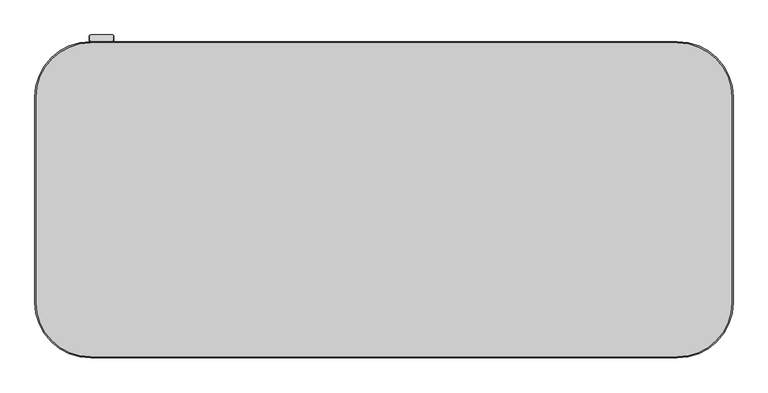
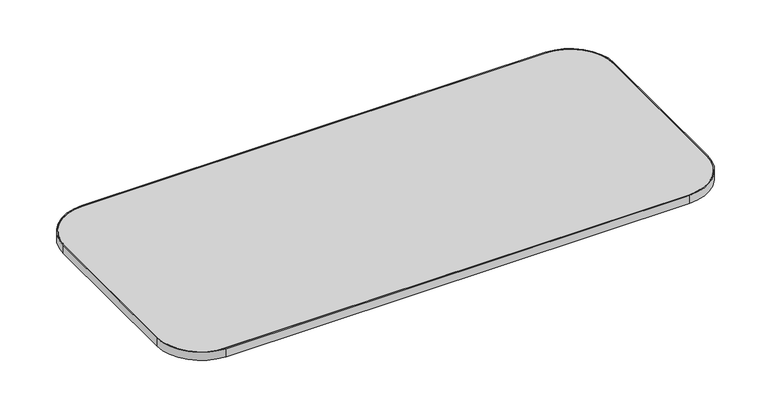
"""IFC4 building model written with IfcOpenShell, lengths in millimetres: furniture geometry."""

from ifc_helpers import new_model, si_unit, point, frame, frame_2d, origin, place, context, project, spatial, polyline, circle_curve, trimmed, segment, composite_curve, outline, extrude, source, transform, mapped, element, save
from ifc_brep_helpers import plane_surface, cylinder_surface, advanced_brep


def furniture_8c47e217(model_context):
    return source(origin(), model_context, "Body", "SolidModel", [
        extrude(outline(composite_curve([segment(trimmed(circle_curve(frame_2d((-607.06, 322.06)), 129.54), [point((-736.6, 322.06))], [point((-607.06, 451.6))], False, "CARTESIAN"), True, "CONTINUOUS"), segment(polyline([(-607.06, 451.6), (759.46, 451.6)]), True, "CONTINUOUS"), segment(trimmed(circle_curve(frame_2d((759.46, 322.06)), 129.54), [point((759.46, 451.6))], [point((889.0, 322.06))], False, "CARTESIAN"), True, "CONTINUOUS"), segment(polyline([(889.0, 322.06), (889.0, -155.46)]), True, "CONTINUOUS"), segment(trimmed(circle_curve(frame_2d((759.46, -155.46)), 129.54), [point((889.0, -155.46))], [point((759.46, -285.0))], False, "CARTESIAN"), True, "CONTINUOUS"), segment(polyline([(759.46, -285.0), (-607.06, -285.0)]), True, "CONTINUOUS"), segment(trimmed(circle_curve(frame_2d((-607.06, -155.46)), 129.54), [point((-607.06, -285.0))], [point((-736.6, -155.46))], False, "CARTESIAN"), True, "CONTINUOUS"), segment(polyline([(-736.6, -155.46), (-736.6, 322.06)]), True, "CONTINUOUS")], self_intersect=False), holes=[composite_curve([segment(trimmed(circle_curve(frame_2d((759.46, -155.46)), 126.492), [point((759.46, -281.952))], [point((885.952, -155.46))], True, "CARTESIAN"), True, "CONTINUOUS"), segment(polyline([(885.952, -155.46), (885.952, 322.06)]), True, "CONTINUOUS"), segment(trimmed(circle_curve(frame_2d((759.46, 322.06)), 126.492), [point((885.952, 322.06))], [point((759.46, 448.552))], True, "CARTESIAN"), True, "CONTINUOUS"), segment(polyline([(759.46, 448.552), (-607.06, 448.552)]), True, "CONTINUOUS"), segment(trimmed(circle_curve(frame_2d((-607.06, 322.06)), 126.492), [point((-607.06, 448.552))], [point((-733.552, 322.06))], True, "CARTESIAN"), True, "CONTINUOUS"), segment(polyline([(-733.552, 322.06), (-733.552, -155.46)]), True, "CONTINUOUS"), segment(trimmed(circle_curve(frame_2d((-607.06, -155.46)), 126.492), [point((-733.552, -155.46))], [point((-607.06, -281.952))], True, "CARTESIAN"), True, "CONTINUOUS"), segment(polyline([(-607.06, -281.952), (759.46, -281.952)]), True, "CONTINUOUS")], self_intersect=False)]), frame((0.0, 0.0, 714.902), z_axis=(0.0, 0.0, 1.0), x_axis=(1.0, 0.0, 0.0)), (0.0, 0.0, 1.0), 25.0),
        extrude(outline(composite_curve([segment(polyline([(759.46, -281.952), (-607.06, -281.952)]), True, "CONTINUOUS"), segment(trimmed(circle_curve(frame_2d((-607.06, -155.46)), 126.492), [point((-607.06, -281.952))], [point((-733.552, -155.46))], False, "CARTESIAN"), True, "CONTINUOUS"), segment(polyline([(-733.552, -155.46), (-733.552, 322.06)]), True, "CONTINUOUS"), segment(trimmed(circle_curve(frame_2d((-607.06, 322.06)), 126.492), [point((-733.552, 322.06))], [point((-607.06, 448.552))], False, "CARTESIAN"), True, "CONTINUOUS"), segment(polyline([(-607.06, 448.552), (759.46, 448.552)]), True, "CONTINUOUS"), segment(trimmed(circle_curve(frame_2d((759.46, 322.06)), 126.492), [point((759.46, 448.552))], [point((885.952, 322.06))], False, "CARTESIAN"), True, "CONTINUOUS"), segment(polyline([(885.952, 322.06), (885.952, -155.46)]), True, "CONTINUOUS"), segment(trimmed(circle_curve(frame_2d((759.46, -155.46)), 126.492), [point((885.952, -155.46))], [point((759.46, -281.952))], False, "CARTESIAN"), True, "CONTINUOUS")], self_intersect=False)), frame((0.0, 0.0, 714.902), z_axis=(0.0, 0.0, 1.0), x_axis=(1.0, 0.0, 0.0)), (0.0, 0.0, 1.0), 25.0),
        advanced_brep(
        [(-606.2197438, 419.5454312, 714.902), (-556.7197614, 419.5454312, 714.902), (-556.7197614, 451.6, 714.902), (-606.2197438, 451.6, 714.902), (-556.7197614, 419.5454312, 707.1581454), (-606.2197438, 419.5454312, 707.1581454), (-606.2197438, 446.6161373, 707.1581454), (-556.7197614, 446.6161373, 707.1581454), (-556.7197614, 444.5567727, 709.21751), (-556.7197614, 449.1527665, 713.8135038), (-556.7197614, 451.6, 711.3662703), (-606.2197438, 451.6, 711.3662703), (-606.2197438, 449.1527665, 713.8135038), (-606.2197438, 444.5567727, 709.21751), (-555.2705979, 449.1527665, 713.8135038), (-553.4177614, 450.4629198, 712.5033505), (-553.4177614, 464.6881742, 698.2780961), (-555.6476329, 466.2649315, 696.7013388), (-607.568, 466.2649315, 696.7013388), (-609.6, 464.8280905, 698.1381797), (-609.6, 450.5896075, 712.3766628), (-607.568, 449.1527665, 713.8135038), (-607.568, 444.5567727, 709.21751), (-609.6, 445.9936137, 707.780669), (-609.6, 460.2320967, 693.542186), (-607.568, 461.6689377, 692.105345), (-555.6476329, 461.6689377, 692.105345), (-553.4177614, 460.0921804, 693.6821023), (-553.4177614, 445.866926, 707.9073567), (-555.2705979, 444.5567727, 709.21751)],
        [
            (0, 1),
            (1, 2),
            (2, 3),
            (3, 0),
            (4, 5),
            (5, 6),
            (6, 7),
            (7, 4),
            (0, 5),
            (4, 1),
            (7, 8),
            (8, 9),
            (9, 10),
            (10, 2),
            (10, 11),
            (11, 3),
            (11, 12),
            (12, 13),
            (13, 6),
            (14, 15, circle_curve(frame((-555.2705979, 450.4629198, 712.5033505), z_axis=(0.0, 0.7071067811865493, 0.7071067811865457), x_axis=(0.0, 0.7071067811865457, -0.7071067811865493)), 1.8528366)),
            (15, 16),
            (16, 17, circle_curve(frame((-555.6476329, 464.6881742, 698.2780961), z_axis=(0.0, 0.7071067811865493, 0.7071067811865457), x_axis=(0.0, 0.7071067811865457, -0.7071067811865493)), 2.2298716)),
            (17, 18),
            (18, 19, circle_curve(frame((-607.568, 464.8280905, 698.1381797), z_axis=(0.0, 0.7071067811865493, 0.7071067811865457), x_axis=(0.0, 0.7071067811865457, -0.7071067811865493)), 2.032)),
            (19, 20),
            (20, 21, circle_curve(frame((-607.568, 450.5896075, 712.3766628), z_axis=(0.0, 0.7071067811865493, 0.7071067811865457), x_axis=(0.0, 0.7071067811865457, -0.7071067811865493)), 2.032)),
            (21, 12),
            (9, 14),
            (22, 23, circle_curve(frame((-607.568, 445.9936137, 707.780669), z_axis=(0.0, -0.7071067811865493, -0.7071067811865457), x_axis=(0.0, 0.7071067811865457, -0.7071067811865493)), 2.032)),
            (23, 24),
            (24, 25, circle_curve(frame((-607.568, 460.2320967, 693.542186), z_axis=(0.0, -0.7071067811865493, -0.7071067811865457), x_axis=(0.0, 0.7071067811865457, -0.7071067811865493)), 2.032)),
            (25, 26),
            (26, 27, circle_curve(frame((-555.6476329, 460.0921804, 693.6821023), z_axis=(0.0, -0.7071067811865493, -0.7071067811865457), x_axis=(0.0, 0.7071067811865457, -0.7071067811865493)), 2.2298716)),
            (27, 28),
            (28, 29, circle_curve(frame((-555.2705979, 445.866926, 707.9073567), z_axis=(0.0, -0.7071067811865493, -0.7071067811865457), x_axis=(0.0, 0.7071067811865457, -0.7071067811865493)), 1.8528366)),
            (29, 8),
            (13, 22),
            (21, 22),
            (29, 14),
            (28, 15),
            (27, 16),
            (26, 17),
            (25, 18),
            (24, 19),
            (23, 20),
        ],
        [
            plane_surface(frame((-556.7197614, 419.5454312, 714.902), z_axis=(0.0, 0.0, 1.0), x_axis=(1.0, 0.0, 0.0))),
            plane_surface(frame((-556.7197614, 419.5454312, 707.1581454), z_axis=(0.0, 0.0, -1.0), x_axis=(-1.0, 0.0, 0.0))),
            plane_surface(frame((-606.2197438, 419.5454312, 714.902), z_axis=(0.0, -1.0, 0.0), x_axis=(0.0, 0.0, -1.0))),
            plane_surface(frame((-556.7197614, 419.5454312, 714.902), z_axis=(1.0, 0.0, 0.0), x_axis=(0.0, 0.0, -1.0))),
            plane_surface(frame((-556.7197614, 451.6, 714.902), z_axis=(0.0, 1.0, 0.0), x_axis=(0.0, 0.0, -1.0))),
            plane_surface(frame((-606.2197438, 451.6, 714.902), z_axis=(-1.0, 0.0, 0.0), x_axis=(0.0, 0.0, -1.0))),
            plane_surface(frame((-555.2705979, 449.1527665, 713.8135038), z_axis=(0.0, 0.7071067811865493, 0.7071067811865457), x_axis=(1.0, 0.0, 0.0))),
            plane_surface(frame((-555.2705979, 444.5567727, 709.21751), z_axis=(0.0, -0.7071067811865493, -0.7071067811865457), x_axis=(-1.0, 0.0, 0.0))),
            plane_surface(frame((-607.568, 449.1527665, 713.8135038), z_axis=(0.0, -0.7071067811865476, 0.7071067811865476), x_axis=(0.0, -0.7071067811865476, -0.7071067811865476))),
            cylinder_surface(frame((-555.2705979, 445.866926, 707.9073567), z_axis=(0.0, 0.7071067811865493, 0.7071067811865457), x_axis=(0.0, 0.7071067811865457, -0.7071067811865493)), 1.8528366),
            plane_surface(frame((-553.4177614, 450.4629198, 712.5033505), z_axis=(1.0000000000000002, 0.0, 0.0), x_axis=(0.0, -0.7071067811865476, -0.7071067811865476))),
            cylinder_surface(frame((-555.6476329, 460.0921804, 693.6821023), z_axis=(0.0, 0.7071067811865493, 0.7071067811865457), x_axis=(0.0, 0.7071067811865457, -0.7071067811865493)), 2.2298716),
            plane_surface(frame((-555.6476329, 466.2649315, 696.7013388), z_axis=(0.0, 0.7071067811865476, -0.7071067811865476), x_axis=(0.0, -0.7071067811865476, -0.7071067811865476))),
            cylinder_surface(frame((-607.568, 460.2320967, 693.542186), z_axis=(0.0, 0.7071067811865493, 0.7071067811865457), x_axis=(0.0, 0.7071067811865457, -0.7071067811865493)), 2.032),
            plane_surface(frame((-609.6, 464.8280905, 698.1381797), z_axis=(-1.0, 0.0, 0.0), x_axis=(0.0, -0.7071067811865527, -0.7071067811865424))),
            cylinder_surface(frame((-607.568, 445.9936137, 707.780669), z_axis=(0.0, 0.7071067811865493, 0.7071067811865457), x_axis=(0.0, 0.7071067811865457, -0.7071067811865493)), 2.032),
        ],
        [
            (0, [[1, 2, 3, 4]]),
            (1, [[5, 6, 7, 8]]),
            (2, [[-1, 9, -5, 10]]),
            (3, [[-2, -10, -8, 11, 12, 13, 14]]),
            (4, [[-3, -14, 15, 16]]),
            (5, [[-4, -16, 17, 18, 19, -6, -9]]),
            (6, [[20, 21, 22, 23, 24, 25, 26, 27, -17, -15, -13, 28]]),
            (7, [[29, 30, 31, 32, 33, 34, 35, 36, -11, -7, -19, 37]]),
            (8, [[38, -37, -18, -27]]),
            (8, [[39, -28, -12, -36]]),
            (9, [[-20, -39, -35, 40]]),
            (10, [[-21, -40, -34, 41]]),
            (11, [[-22, -41, -33, 42]]),
            (12, [[-23, -42, -32, 43]]),
            (13, [[-24, -43, -31, 44]]),
            (14, [[-25, -44, -30, 45]]),
            (15, [[-26, -45, -29, -38]]),
        ],
    ),
        extrude(outline(composite_curve([segment(trimmed(circle_curve(frame_2d((48.6765212, -3.048)), 3.048), [point((48.6765212, 0.0))], [point((51.7245212, -3.048))], False, "CARTESIAN"), True, "CONTINUOUS"), segment(polyline([(51.7245212, -3.048), (51.7245212, -18.8922072)]), True, "CONTINUOUS"), segment(trimmed(circle_curve(frame_2d((48.7382411, -18.8922072)), 2.9862801), [point((51.7245212, -18.8922072))], [point((48.7382411, -21.8784873))], False, "CARTESIAN"), True, "CONTINUOUS"), segment(polyline([(48.7382411, -21.8784873), (-0.0003332, -21.8784873)]), True, "CONTINUOUS"), segment(trimmed(circle_curve(frame_2d((-0.0003332, -19.0283589)), 2.8501284), [point((-0.0003332, -21.8784873))], [point((-2.8504616, -19.0283589))], False, "CARTESIAN"), True, "CONTINUOUS"), segment(polyline([(-2.8504616, -19.0283589), (-2.8504616, -2.8504615)]), True, "CONTINUOUS"), segment(trimmed(circle_curve(frame_2d((0.0, -2.8504615)), 2.8504615), [point((-2.8504616, -2.8504615))], [point((0.0, 0.0))], False, "CARTESIAN"), True, "CONTINUOUS"), segment(polyline([(0.0, 0.0), (48.6765212, 0.0)]), True, "CONTINUOUS")], self_intersect=False)), frame((-556.9799479, 443.782049, 706.7937033), z_axis=(0.0, 0.7071067811865493, 0.7071067811865457), x_axis=(-1.0, 0.0, 0.0)), (0.0, 0.0, 1.0), 11.2615577),
    ])


if __name__ == "__main__":
    model = new_model("IFC4")
    model_context = context("Model", 3, world=origin())
    ifc_project = project(units=[si_unit("LENGTHUNIT", "METRE", prefix="MILLI")], contexts=[model_context])
    site = spatial("IfcSite", under=ifc_project)
    building = spatial("IfcBuilding", under=site)
    placement = place(None, origin())
    furniture_shape = furniture_8c47e217(model_context)
    element("IfcFurniture", 1, at=placement, inside=building, context=model_context, shape_type="MappedRepresentation", body=[
        mapped(furniture_shape, transform((0.0, 0.0, 0.0), x_axis=(1.0, 0.0, 0.0), y_axis=(0.0, 1.0, 0.0), z_axis=(0.0, 0.0, 1.0))),
    ])
    save(model, "model.ifc")
